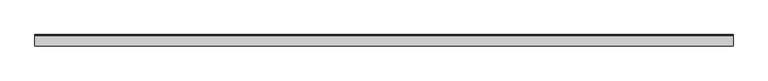
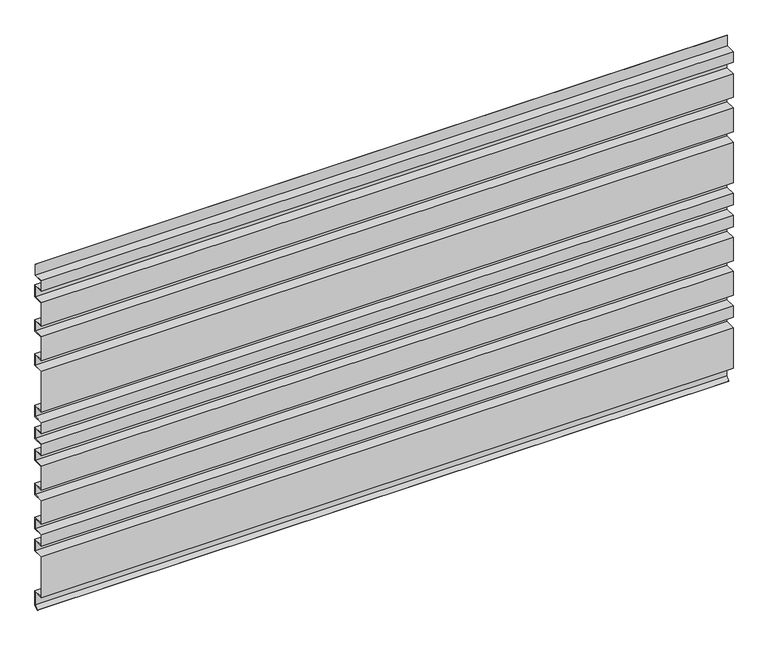
"""IFC4 building model written with IfcOpenShell, lengths in millimetres: plate geometry."""

import ifcopenshell
import ifcopenshell.guid

model = None  # the IFC model being written
_history = None  # IfcOwnerHistory: only IFC2X3 demands one
_inside = {}  # id of a spatial element -> (the spatial element, [elements in it])
_under = {}  # id of a project, library or spatial element -> (it, [spatial elements below it])
_declared = {}  # id of a project -> (the project, [libraries it declares])
_typed = {}  # id of a type object -> (the type object, [elements of that type])
_made_of = {}  # id of a material, layer set ... -> (it, [elements and type objects made of it])


def new_model(schema):
    """Start an empty IFC model of exactly this schema.

    Asked for "IFC4X3", IfcOpenShell would pick the latest addendum, in which some entities
    have other attributes; the version numbers below select the first issue.
    IFC2X3 requires an IfcOwnerHistory on every rooted entity: one is made here for all.
    """
    global model, _history
    if schema == "IFC4X3":
        model = ifcopenshell.file(schema_version=(4, 3, 0, 0))
    else:
        model = ifcopenshell.file(schema=schema)
    _inside.clear()
    _under.clear()
    _declared.clear()
    _typed.clear()
    _made_of.clear()
    _history = None
    if model.schema == "IFC2X3":
        org = make("IfcOrganization", Name="unknown")
        user = make(
            "IfcPersonAndOrganization",
            ThePerson=make("IfcPerson", FamilyName="unknown"),
            TheOrganization=org,
        )
        app = make(
            "IfcApplication",
            ApplicationDeveloper=org,
            Version="unknown",
            ApplicationFullName="unknown",
            ApplicationIdentifier="unknown",
        )
        _history = make(
            "IfcOwnerHistory",
            OwningUser=user,
            OwningApplication=app,
            ChangeAction="ADDED",
            CreationDate=0,
        )
    return model


def make(cls, **values):
    """One entity of the class cls with the attributes given. An attribute that is None is left unset."""
    return model.create_entity(
        cls, **{name: value for name, value in values.items() if value is not None}
    )


def rooted(cls, **values):
    """An entity with a GlobalId (a new one), such as an element, a storey or a relation."""
    return make(cls, GlobalId=ifcopenshell.guid.new(), OwnerHistory=_history, **values)


def si_unit(unit_type, name, prefix=None):
    """IfcSIUnit, for example si_unit("LENGTHUNIT", "METRE", prefix="MILLI")."""
    return make("IfcSIUnit", UnitType=unit_type, Prefix=prefix, Name=name)


def assignment(units):
    """IfcUnitAssignment: the units of a project."""
    return None if units is None else make("IfcUnitAssignment", Units=units)


def point(xyz):
    """IfcCartesianPoint."""
    return None if xyz is None else make("IfcCartesianPoint", Coordinates=xyz)


def direction(xyz):
    """IfcDirection."""
    return None if xyz is None else make("IfcDirection", DirectionRatios=xyz)


def frame(location, z_axis=None, x_axis=None):
    """IfcAxis2Placement3D, a coordinate frame: its origin and axes. An axis left out is left unset."""
    return make(
        "IfcAxis2Placement3D",
        Location=point(location),
        Axis=direction(z_axis),
        RefDirection=direction(x_axis),
    )


def origin():
    """The frame at (0, 0, 0) with its axes left unset."""
    return frame((0.0, 0.0, 0.0))


def place(relative_to, where):
    """IfcLocalPlacement: puts the frame where relative to a parent placement (None: the world)."""
    return make(
        "IfcLocalPlacement", PlacementRelTo=relative_to, RelativePlacement=where
    )


def context(
    kind, dimensions, precision=None, world=None, true_north=None, identifier=None
):
    """IfcGeometricRepresentationContext, for example the 3D "Model" context."""
    return make(
        "IfcGeometricRepresentationContext",
        ContextIdentifier=identifier,
        ContextType=kind,
        CoordinateSpaceDimension=dimensions,
        Precision=precision,
        WorldCoordinateSystem=world,
        TrueNorth=true_north,
    )


def project(units=None, contexts=None):
    """IfcProject with its units and contexts."""
    return rooted(
        "IfcProject",
        Name="project",
        RepresentationContexts=contexts,
        UnitsInContext=assignment(units),
    )


def spatial(cls, under=None, at=None, **own):
    """A site, building, storey or space (cls), placed at a placement, below another one or the project."""
    s = rooted(cls, ObjectPlacement=at, **own)
    if under is not None:
        _under.setdefault(under.id(), (under, []))[1].append(s)
    return s


def polyline(points):
    """IfcPolyline through the points."""
    return make("IfcPolyline", Points=[point(p) for p in points])


def outline(outer, holes=None, kind="AREA"):
    """IfcArbitraryClosedProfileDef: a profile drawn as a closed curve; with holes, ...WithVoids."""
    if holes is None:
        return make("IfcArbitraryClosedProfileDef", ProfileType=kind, OuterCurve=outer)
    return make(
        "IfcArbitraryProfileDefWithVoids",
        ProfileType=kind,
        OuterCurve=outer,
        InnerCurves=holes,
    )


def extrude(swept, where, along, depth):
    """IfcExtrudedAreaSolid: the profile swept, set in the frame where, extruded along a direction by depth."""
    return make(
        "IfcExtrudedAreaSolid",
        SweptArea=swept,
        Position=where,
        ExtrudedDirection=direction(along),
        Depth=depth,
    )


def shape(context_of_items, identifier, shape_type, items):
    """IfcShapeRepresentation: the items that make up one representation, for example the "Body"."""
    return make(
        "IfcShapeRepresentation",
        ContextOfItems=context_of_items,
        RepresentationIdentifier=identifier,
        RepresentationType=shape_type,
        Items=items,
    )


def source(mapping_origin, context_of_items, identifier, shape_type, items):
    """IfcRepresentationMap: a shape defined once, which mapped items show again and again."""
    return make(
        "IfcRepresentationMap",
        MappingOrigin=mapping_origin,
        MappedRepresentation=shape(context_of_items, identifier, shape_type, items),
    )


def transform(
    local_origin,
    x_axis=None,
    y_axis=None,
    z_axis=None,
    scale=None,
    scale2=None,
    scale3=None,
    uniform=True,
):
    """IfcCartesianTransformationOperator3D, or its non-uniform kind. x_axis, y_axis, z_axis: its Axis1, 2, 3."""
    if uniform:
        return make(
            "IfcCartesianTransformationOperator3D",
            Axis1=direction(x_axis),
            Axis2=direction(y_axis),
            LocalOrigin=point(local_origin),
            Scale=scale,
            Axis3=direction(z_axis),
        )
    return make(
        "IfcCartesianTransformationOperator3DnonUniform",
        Axis1=direction(x_axis),
        Axis2=direction(y_axis),
        LocalOrigin=point(local_origin),
        Scale=scale,
        Axis3=direction(z_axis),
        Scale2=scale2,
        Scale3=scale3,
    )


def mapped(mapping_source, mapping_target):
    """IfcMappedItem: shows the shape of a source again, moved by a transform."""
    return make(
        "IfcMappedItem", MappingSource=mapping_source, MappingTarget=mapping_target
    )


def made_of(thing, what):
    """Note that an element or type object is made of a material, layer set ...; save() writes the relation."""
    if what is not None:
        _made_of.setdefault(what.id(), (what, []))[1].append(thing)
    return thing


def element(
    cls,
    number,
    at=None,
    inside=None,
    cuts=None,
    type_object=None,
    material=None,
    context=None,
    identifier="Body",
    shape_type=None,
    held_by="IfcProductDefinitionShape",
    body=None,
    shapes=None,
    **own,
):
    """One element of the class cls, such as IfcWall. Its Tag is "e" and its number.

    at: its placement. inside: the storey or other place that contains it. cuts: it is an
    opening in that element (IfcRelVoidsElement). A single representation is given by context,
    identifier, shape_type and body (its items); several are given by shapes. held_by: the class
    of the entity that holds the representations. save() writes the other relations.
    """
    e = rooted(cls, Tag="e%d" % number, ObjectPlacement=at, **own)
    if body is not None:
        shapes = [shape(context, identifier, shape_type, body)]
    if shapes is not None:
        e.Representation = make(held_by, Representations=shapes)
    if inside is not None:
        _inside.setdefault(inside.id(), (inside, []))[1].append(e)
    if cuts is not None:
        rooted(
            "IfcRelVoidsElement", RelatingBuildingElement=cuts, RelatedOpeningElement=e
        )
    if type_object is not None:
        _typed.setdefault(type_object.id(), (type_object, []))[1].append(e)
    return made_of(e, material)


def aggregate(whole, parts):
    """IfcRelAggregates: a whole, such as a stair, and the parts it consists of."""
    return rooted("IfcRelAggregates", RelatingObject=whole, RelatedObjects=parts)


def save(model, path):
    """Write the relations noted so far, then the file.

    IfcRelAggregates (storeys below a building ...), IfcRelContainedInSpatialStructure (elements
    in a storey), IfcRelDefinesByType, IfcRelAssociatesMaterial and IfcRelDeclares: one each for
    every whole, place, type object, material and project.
    """
    for whole, parts in _under.values():
        aggregate(whole, parts)
    for where, things in _inside.values():
        rooted(
            "IfcRelContainedInSpatialStructure",
            RelatedElements=things,
            RelatingStructure=where,
        )
    for kind, things in _typed.values():
        rooted("IfcRelDefinesByType", RelatedObjects=things, RelatingType=kind)
    for what, things in _made_of.values():
        rooted("IfcRelAssociatesMaterial", RelatedObjects=things, RelatingMaterial=what)
    for by, libraries in _declared.values():
        rooted("IfcRelDeclares", RelatingContext=by, RelatedDefinitions=libraries)
    model.write(path)


def plate_0ea96c43(model_context):
    return source(origin(), model_context, "Body", "SweptSolid", [
        extrude(outline(polyline([(23.0, 791.0), (23.0, 816.0), (24.0, 816.0), (24.0, 790.0), (1.0, 790.0), (1.0, 767.0), (25.0, 767.0), (25.0, 738.0), (1.0, 738.0), (1.0, 684.0), (25.0, 684.0), (25.0, 657.0), (1.0, 657.0), (1.0, 603.0), (25.0, 603.0), (25.0, 576.0), (1.0, 576.0), (1.0, 481.0), (25.0, 481.0), (25.0, 454.0), (1.0, 454.0), (1.0, 429.0), (25.0, 429.0), (25.0, 402.0), (1.0, 402.0), (1.0, 377.0), (25.0, 377.0), (25.0, 350.0), (1.0, 350.0), (1.0, 296.0), (25.0, 296.0), (25.0, 269.0), (1.0, 269.0), (1.0, 215.0), (25.0, 215.0), (25.0, 188.0), (1.0, 188.0), (1.0, 163.0), (25.0, 163.0), (25.0, 136.0), (1.0, 136.0), (1.0, 41.0), (25.0, 41.0), (25.0, 7.5852005), (16.6903838, -0.7078135), (15.9839845, 0.0), (24.0, 8.0), (24.0, 40.0), (0.0, 40.0), (0.0, 137.0), (24.0, 137.0), (24.0, 162.0), (0.0, 162.0), (0.0, 189.0), (24.0, 189.0), (24.0, 214.0), (0.0, 214.0), (0.0, 270.0), (24.0, 270.0), (24.0, 295.0), (0.0, 295.0), (0.0, 351.0), (24.0, 351.0), (24.0, 376.0), (0.0, 376.0), (0.0, 403.0), (24.0, 403.0), (24.0, 428.0), (0.0, 428.0), (0.0, 455.0), (24.0, 455.0), (24.0, 480.0), (0.0, 480.0), (0.0, 577.0), (24.0, 577.0), (24.0, 602.0), (0.0, 602.0), (0.0, 658.0), (24.0, 658.0), (24.0, 683.0), (0.0, 683.0), (0.0, 739.0), (24.0, 739.0), (24.0, 766.0), (0.0, 766.0), (0.0, 791.0), (23.0, 791.0)])), frame((-776.0, 0.0, 0.0), z_axis=(1.0, 0.0, 0.0), x_axis=(0.0, 1.0, 0.0)), (0.0, 0.0, 1.0), 1552.0),
    ])


if __name__ == "__main__":
    model = new_model("IFC4")
    model_context = context("Model", 3, world=origin())
    ifc_project = project(units=[si_unit("LENGTHUNIT", "METRE", prefix="MILLI")], contexts=[model_context])
    site = spatial("IfcSite", under=ifc_project)
    building = spatial("IfcBuilding", under=site)
    placement = place(None, origin())
    plate_shape = plate_0ea96c43(model_context)
    element("IfcPlate", 1, at=placement, inside=building, context=model_context, shape_type="MappedRepresentation", body=[
        mapped(plate_shape, transform((0.0, 0.0, 0.0), x_axis=(1.0, 0.0, 0.0), y_axis=(0.0, 1.0, 0.0), z_axis=(0.0, 0.0, 1.0))),
    ])
    save(model, "model.ifc")
